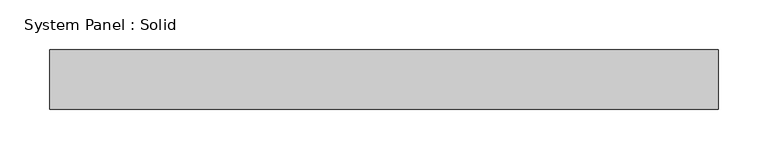
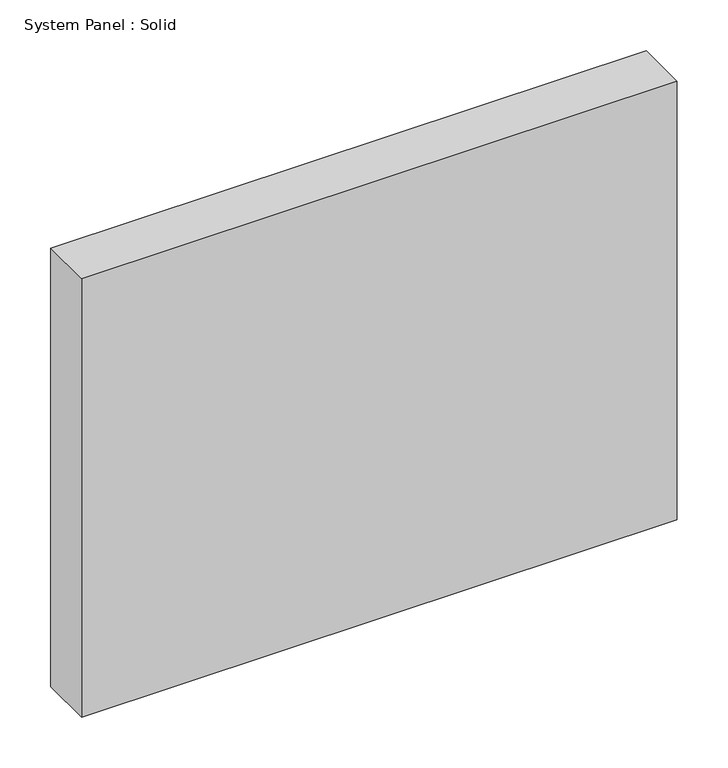
"""IFC4 building model written with IfcOpenShell, lengths in millimetres: plate geometry, System Panel : Solid."""

from ifc_helpers import new_model, si_unit, origin, origin_with_axes, place, context, project, spatial, polyline, outline, extrude, source, transform, mapped, element, save


def system_panel_solid_9b00d386(model_context):
    return source(origin(), model_context, "Body", "SweptSolid", [
        extrude(outline(polyline([(337.5, -49.5), (-337.5, -49.5), (-337.5, 10.5), (337.5, 10.5), (337.5, -49.5)])), origin_with_axes(), (0.0, 0.0, 1.0), 525.0),
    ])


if __name__ == "__main__":
    model = new_model("IFC4")
    model_context = context("Model", 3, world=origin())
    ifc_project = project(units=[si_unit("LENGTHUNIT", "METRE", prefix="MILLI")], contexts=[model_context])
    site = spatial("IfcSite", under=ifc_project)
    building = spatial("IfcBuilding", under=site)
    placement = place(None, origin())
    system_panel_solid_shape = system_panel_solid_9b00d386(model_context)
    element("IfcPlate", 1, ObjectType="System Panel : Solid", at=placement, inside=building, context=model_context, shape_type="MappedRepresentation", body=[
        mapped(system_panel_solid_shape, transform((0.0, 0.0, 0.0), x_axis=(1.0, 0.0, 0.0), y_axis=(0.0, 1.0, 0.0), z_axis=(0.0, 0.0, 1.0))),
    ])
    save(model, "model.ifc")
